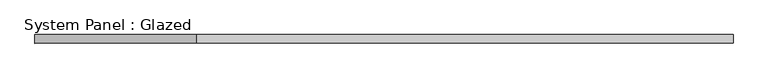
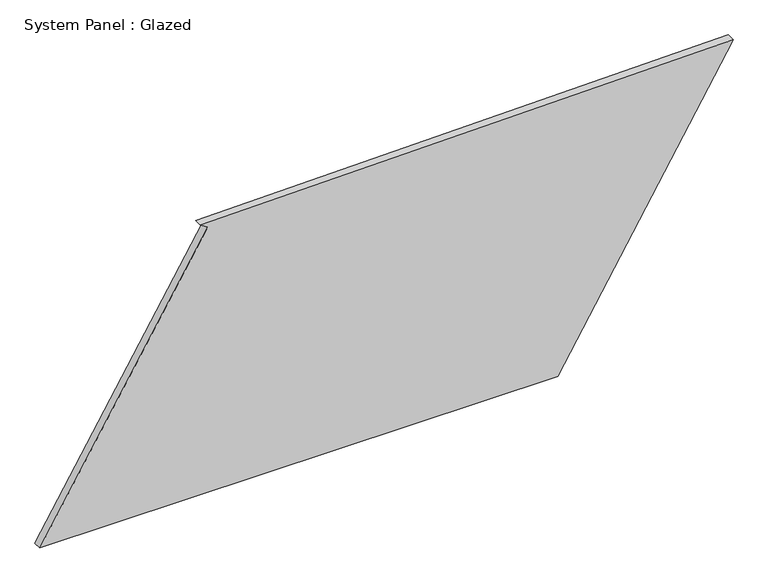
"""IFC4 building model written with IfcOpenShell, lengths in millimetres: plate geometry, System Panel : Glazed."""

from ifc_helpers import new_model, si_unit, frame, origin, place, context, project, spatial, polyline, outline, extrude, source, transform, mapped, element, save


def system_panel_glazed_670fc75a(model_context):
    return source(origin(), model_context, "Body", "SweptSolid", [
        extrude(outline(polyline([(0.0, -1020.8444666), (0.0, 504.3719961), (868.6873807, 1020.8444666), (839.7477697, -547.8224812), (826.9172893, -526.3660423), (0.0, -1020.8444666)])), frame((0.0, -49.5, 0.0), z_axis=(0.0, 1.0, 0.0), x_axis=(0.0, 0.0, 1.0)), (0.0, 0.0, 1.0), 25.0),
    ])


if __name__ == "__main__":
    model = new_model("IFC4")
    model_context = context("Model", 3, world=origin())
    ifc_project = project(units=[si_unit("LENGTHUNIT", "METRE", prefix="MILLI")], contexts=[model_context])
    site = spatial("IfcSite", under=ifc_project)
    building = spatial("IfcBuilding", under=site)
    placement = place(None, origin())
    system_panel_glazed_shape = system_panel_glazed_670fc75a(model_context)
    element("IfcPlate", 1, ObjectType="System Panel : Glazed", at=placement, inside=building, context=model_context, shape_type="MappedRepresentation", body=[
        mapped(system_panel_glazed_shape, transform((0.0, 0.0, 0.0), x_axis=(1.0, 0.0, 0.0), y_axis=(0.0, 1.0, 0.0), z_axis=(0.0, 0.0, 1.0))),
    ])
    save(model, "model.ifc")
